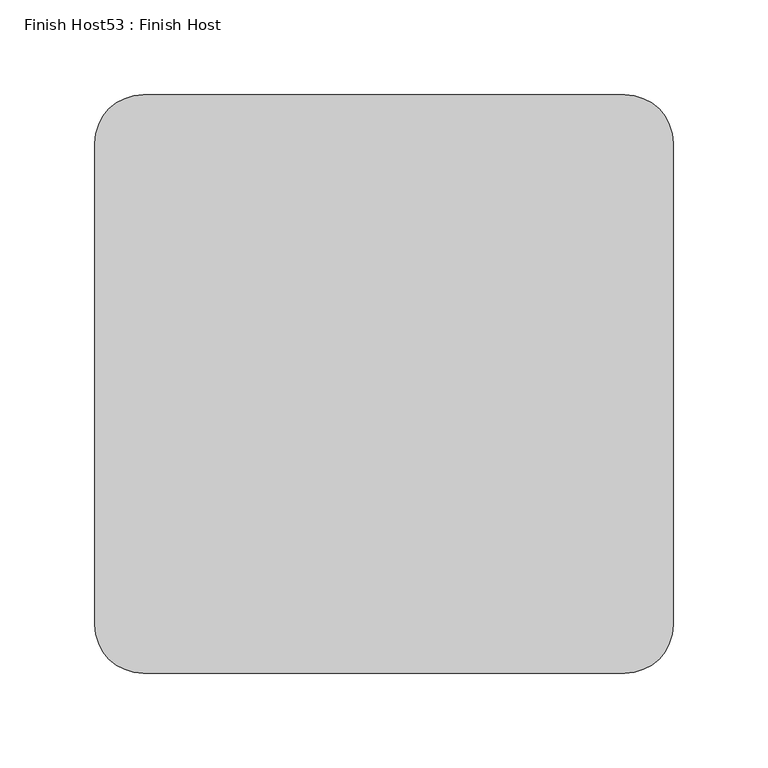
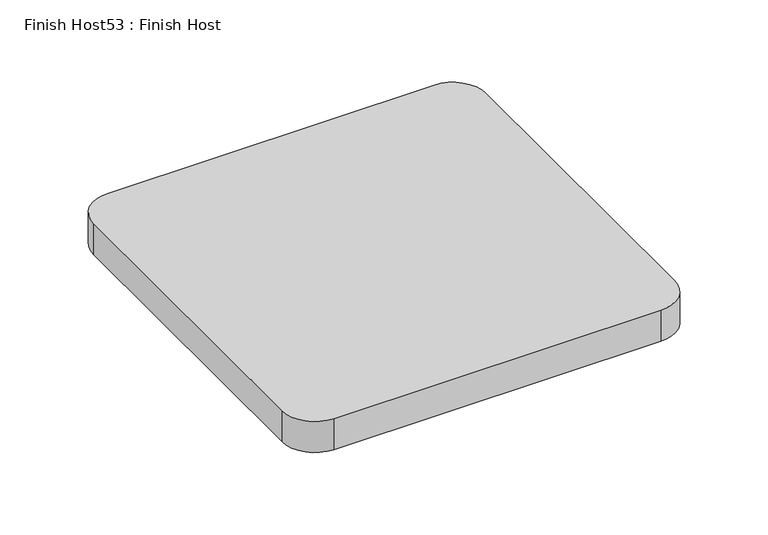
"""IFC4 building model written with IfcOpenShell, lengths in millimetres: proxy geometry, Finish Host53 : Finish Host."""

import ifcopenshell
import ifcopenshell.guid

model = None  # the IFC model being written
_history = None  # IfcOwnerHistory: only IFC2X3 demands one
_inside = {}  # id of a spatial element -> (the spatial element, [elements in it])
_under = {}  # id of a project, library or spatial element -> (it, [spatial elements below it])
_declared = {}  # id of a project -> (the project, [libraries it declares])
_typed = {}  # id of a type object -> (the type object, [elements of that type])
_made_of = {}  # id of a material, layer set ... -> (it, [elements and type objects made of it])


def new_model(schema):
    """Start an empty IFC model of exactly this schema.

    Asked for "IFC4X3", IfcOpenShell would pick the latest addendum, in which some entities
    have other attributes; the version numbers below select the first issue.
    IFC2X3 requires an IfcOwnerHistory on every rooted entity: one is made here for all.
    """
    global model, _history
    if schema == "IFC4X3":
        model = ifcopenshell.file(schema_version=(4, 3, 0, 0))
    else:
        model = ifcopenshell.file(schema=schema)
    _inside.clear()
    _under.clear()
    _declared.clear()
    _typed.clear()
    _made_of.clear()
    _history = None
    if model.schema == "IFC2X3":
        org = make("IfcOrganization", Name="unknown")
        user = make(
            "IfcPersonAndOrganization",
            ThePerson=make("IfcPerson", FamilyName="unknown"),
            TheOrganization=org,
        )
        app = make(
            "IfcApplication",
            ApplicationDeveloper=org,
            Version="unknown",
            ApplicationFullName="unknown",
            ApplicationIdentifier="unknown",
        )
        _history = make(
            "IfcOwnerHistory",
            OwningUser=user,
            OwningApplication=app,
            ChangeAction="ADDED",
            CreationDate=0,
        )
    return model


def make(cls, **values):
    """One entity of the class cls with the attributes given. An attribute that is None is left unset."""
    return model.create_entity(
        cls, **{name: value for name, value in values.items() if value is not None}
    )


def rooted(cls, **values):
    """An entity with a GlobalId (a new one), such as an element, a storey or a relation."""
    return make(cls, GlobalId=ifcopenshell.guid.new(), OwnerHistory=_history, **values)


def si_unit(unit_type, name, prefix=None):
    """IfcSIUnit, for example si_unit("LENGTHUNIT", "METRE", prefix="MILLI")."""
    return make("IfcSIUnit", UnitType=unit_type, Prefix=prefix, Name=name)


def assignment(units):
    """IfcUnitAssignment: the units of a project."""
    return None if units is None else make("IfcUnitAssignment", Units=units)


def point(xyz):
    """IfcCartesianPoint."""
    return None if xyz is None else make("IfcCartesianPoint", Coordinates=xyz)


def direction(xyz):
    """IfcDirection."""
    return None if xyz is None else make("IfcDirection", DirectionRatios=xyz)


def frame(location, z_axis=None, x_axis=None):
    """IfcAxis2Placement3D, a coordinate frame: its origin and axes. An axis left out is left unset."""
    return make(
        "IfcAxis2Placement3D",
        Location=point(location),
        Axis=direction(z_axis),
        RefDirection=direction(x_axis),
    )


def frame_2d(location, x_axis=None):
    """IfcAxis2Placement2D, a coordinate frame in the plane: its origin and x axis."""
    return make(
        "IfcAxis2Placement2D", Location=point(location), RefDirection=direction(x_axis)
    )


def origin():
    """The frame at (0, 0, 0) with its axes left unset."""
    return frame((0.0, 0.0, 0.0))


def origin_with_axes():
    """The frame at (0, 0, 0) with the z axis (0, 0, 1) and the x axis (1, 0, 0) written out."""
    return frame((0.0, 0.0, 0.0), z_axis=(0.0, 0.0, 1.0), x_axis=(1.0, 0.0, 0.0))


def place(relative_to, where):
    """IfcLocalPlacement: puts the frame where relative to a parent placement (None: the world)."""
    return make(
        "IfcLocalPlacement", PlacementRelTo=relative_to, RelativePlacement=where
    )


def context(
    kind, dimensions, precision=None, world=None, true_north=None, identifier=None
):
    """IfcGeometricRepresentationContext, for example the 3D "Model" context."""
    return make(
        "IfcGeometricRepresentationContext",
        ContextIdentifier=identifier,
        ContextType=kind,
        CoordinateSpaceDimension=dimensions,
        Precision=precision,
        WorldCoordinateSystem=world,
        TrueNorth=true_north,
    )


def project(units=None, contexts=None):
    """IfcProject with its units and contexts."""
    return rooted(
        "IfcProject",
        Name="project",
        RepresentationContexts=contexts,
        UnitsInContext=assignment(units),
    )


def spatial(cls, under=None, at=None, **own):
    """A site, building, storey or space (cls), placed at a placement, below another one or the project."""
    s = rooted(cls, ObjectPlacement=at, **own)
    if under is not None:
        _under.setdefault(under.id(), (under, []))[1].append(s)
    return s


def polyline(points):
    """IfcPolyline through the points."""
    return make("IfcPolyline", Points=[point(p) for p in points])


def circle_curve(where, radius):
    """IfcCircle in the frame where."""
    return make("IfcCircle", Position=where, Radius=radius)


def trimmed(basis, trim1, trim2, sense, master):
    """IfcTrimmedCurve: the piece of a basis curve between two trims."""
    return make(
        "IfcTrimmedCurve",
        BasisCurve=basis,
        Trim1=trim1,
        Trim2=trim2,
        SenseAgreement=sense,
        MasterRepresentation=master,
    )


def segment(curve, same_sense, transition):
    """IfcCompositeCurveSegment."""
    return make(
        "IfcCompositeCurveSegment",
        Transition=transition,
        SameSense=same_sense,
        ParentCurve=curve,
    )


def composite_curve(segments, self_intersect=None):
    """IfcCompositeCurve: segments joined end to end."""
    return make("IfcCompositeCurve", Segments=segments, SelfIntersect=self_intersect)


def outline(outer, holes=None, kind="AREA"):
    """IfcArbitraryClosedProfileDef: a profile drawn as a closed curve; with holes, ...WithVoids."""
    if holes is None:
        return make("IfcArbitraryClosedProfileDef", ProfileType=kind, OuterCurve=outer)
    return make(
        "IfcArbitraryProfileDefWithVoids",
        ProfileType=kind,
        OuterCurve=outer,
        InnerCurves=holes,
    )


def extrude(swept, where, along, depth):
    """IfcExtrudedAreaSolid: the profile swept, set in the frame where, extruded along a direction by depth."""
    return make(
        "IfcExtrudedAreaSolid",
        SweptArea=swept,
        Position=where,
        ExtrudedDirection=direction(along),
        Depth=depth,
    )


def shape(context_of_items, identifier, shape_type, items):
    """IfcShapeRepresentation: the items that make up one representation, for example the "Body"."""
    return make(
        "IfcShapeRepresentation",
        ContextOfItems=context_of_items,
        RepresentationIdentifier=identifier,
        RepresentationType=shape_type,
        Items=items,
    )


def source(mapping_origin, context_of_items, identifier, shape_type, items):
    """IfcRepresentationMap: a shape defined once, which mapped items show again and again."""
    return make(
        "IfcRepresentationMap",
        MappingOrigin=mapping_origin,
        MappedRepresentation=shape(context_of_items, identifier, shape_type, items),
    )


def transform(
    local_origin,
    x_axis=None,
    y_axis=None,
    z_axis=None,
    scale=None,
    scale2=None,
    scale3=None,
    uniform=True,
):
    """IfcCartesianTransformationOperator3D, or its non-uniform kind. x_axis, y_axis, z_axis: its Axis1, 2, 3."""
    if uniform:
        return make(
            "IfcCartesianTransformationOperator3D",
            Axis1=direction(x_axis),
            Axis2=direction(y_axis),
            LocalOrigin=point(local_origin),
            Scale=scale,
            Axis3=direction(z_axis),
        )
    return make(
        "IfcCartesianTransformationOperator3DnonUniform",
        Axis1=direction(x_axis),
        Axis2=direction(y_axis),
        LocalOrigin=point(local_origin),
        Scale=scale,
        Axis3=direction(z_axis),
        Scale2=scale2,
        Scale3=scale3,
    )


def mapped(mapping_source, mapping_target):
    """IfcMappedItem: shows the shape of a source again, moved by a transform."""
    return make(
        "IfcMappedItem", MappingSource=mapping_source, MappingTarget=mapping_target
    )


def made_of(thing, what):
    """Note that an element or type object is made of a material, layer set ...; save() writes the relation."""
    if what is not None:
        _made_of.setdefault(what.id(), (what, []))[1].append(thing)
    return thing


def element(
    cls,
    number,
    at=None,
    inside=None,
    cuts=None,
    type_object=None,
    material=None,
    context=None,
    identifier="Body",
    shape_type=None,
    held_by="IfcProductDefinitionShape",
    body=None,
    shapes=None,
    **own,
):
    """One element of the class cls, such as IfcWall. Its Tag is "e" and its number.

    at: its placement. inside: the storey or other place that contains it. cuts: it is an
    opening in that element (IfcRelVoidsElement). A single representation is given by context,
    identifier, shape_type and body (its items); several are given by shapes. held_by: the class
    of the entity that holds the representations. save() writes the other relations.
    """
    e = rooted(cls, Tag="e%d" % number, ObjectPlacement=at, **own)
    if body is not None:
        shapes = [shape(context, identifier, shape_type, body)]
    if shapes is not None:
        e.Representation = make(held_by, Representations=shapes)
    if inside is not None:
        _inside.setdefault(inside.id(), (inside, []))[1].append(e)
    if cuts is not None:
        rooted(
            "IfcRelVoidsElement", RelatingBuildingElement=cuts, RelatedOpeningElement=e
        )
    if type_object is not None:
        _typed.setdefault(type_object.id(), (type_object, []))[1].append(e)
    return made_of(e, material)


def aggregate(whole, parts):
    """IfcRelAggregates: a whole, such as a stair, and the parts it consists of."""
    return rooted("IfcRelAggregates", RelatingObject=whole, RelatedObjects=parts)


def save(model, path):
    """Write the relations noted so far, then the file.

    IfcRelAggregates (storeys below a building ...), IfcRelContainedInSpatialStructure (elements
    in a storey), IfcRelDefinesByType, IfcRelAssociatesMaterial and IfcRelDeclares: one each for
    every whole, place, type object, material and project.
    """
    for whole, parts in _under.values():
        aggregate(whole, parts)
    for where, things in _inside.values():
        rooted(
            "IfcRelContainedInSpatialStructure",
            RelatedElements=things,
            RelatingStructure=where,
        )
    for kind, things in _typed.values():
        rooted("IfcRelDefinesByType", RelatedObjects=things, RelatingType=kind)
    for what, things in _made_of.values():
        rooted("IfcRelAssociatesMaterial", RelatedObjects=things, RelatingMaterial=what)
    for by, libraries in _declared.values():
        rooted("IfcRelDeclares", RelatingContext=by, RelatedDefinitions=libraries)
    model.write(path)


def finish_host53_finish_host_fe3a5eb9(model_context):
    return source(origin(), model_context, "Body", "SweptSolid", [
        extrude(outline(composite_curve([segment(polyline([(9166.3478493, 1206.8122951), (9166.3478493, 1460.8122951)]), True, "CONTINUOUS"), segment(trimmed(circle_curve(frame_2d((9191.7478493, 1460.8122951)), 25.4), [point((9166.3478493, 1460.8122951))], [point((9191.7478493, 1486.2122951))], False, "CARTESIAN"), True, "CONTINUOUS"), segment(polyline([(9191.7478493, 1486.2122951), (9445.7478493, 1486.2122951)]), True, "CONTINUOUS"), segment(trimmed(circle_curve(frame_2d((9445.7478493, 1460.8122951)), 25.4), [point((9445.7478493, 1486.2122951))], [point((9471.1478493, 1460.8122951))], False, "CARTESIAN"), True, "CONTINUOUS"), segment(polyline([(9471.1478493, 1460.8122951), (9471.1478493, 1206.8122951)]), True, "CONTINUOUS"), segment(trimmed(circle_curve(frame_2d((9445.7478493, 1206.8122951)), 25.4), [point((9471.1478493, 1206.8122951))], [point((9445.7478493, 1181.4122951))], False, "CARTESIAN"), True, "CONTINUOUS"), segment(polyline([(9445.7478493, 1181.4122951), (9191.7478493, 1181.4122951)]), True, "CONTINUOUS"), segment(trimmed(circle_curve(frame_2d((9191.7478493, 1206.8122951)), 25.4), [point((9191.7478493, 1181.4122951))], [point((9166.3478493, 1206.8122951))], False, "CARTESIAN"), True, "CONTINUOUS")], self_intersect=False)), origin_with_axes(), (0.0, 0.0, 1.0), 25.4),
    ])


if __name__ == "__main__":
    model = new_model("IFC4")
    model_context = context("Model", 3, world=origin())
    ifc_project = project(units=[si_unit("LENGTHUNIT", "METRE", prefix="MILLI")], contexts=[model_context])
    site = spatial("IfcSite", under=ifc_project)
    building = spatial("IfcBuilding", under=site)
    placement = place(None, origin())
    finish_host53_finish_host_shape = finish_host53_finish_host_fe3a5eb9(model_context)
    element("IfcBuildingElementProxy", 1, Name="Finish Host53 : Finish Host", ObjectType="Finish Host53 : Finish Host", at=placement, inside=building, context=model_context, shape_type="MappedRepresentation", body=[
        mapped(finish_host53_finish_host_shape, transform((0.0, 0.0, 0.0), x_axis=(1.0, 0.0, 0.0), y_axis=(0.0, 1.0, 0.0), z_axis=(0.0, 0.0, 1.0))),
    ])
    save(model, "model.ifc")
